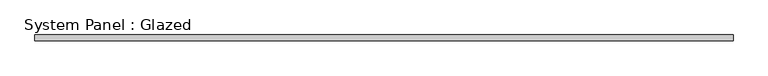
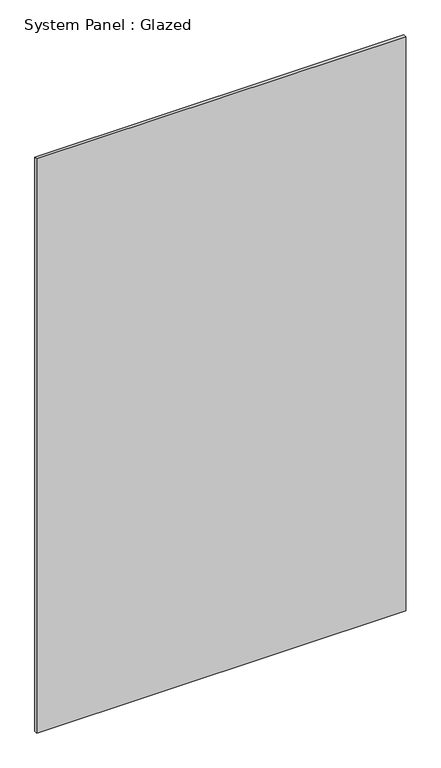
"""IFC4 building model written with IfcOpenShell, lengths in millimetres: plate geometry, System Panel : Glazed."""

from ifc_helpers import new_model, si_unit, origin, origin_with_axes, place, context, project, spatial, polyline, outline, extrude, source, transform, mapped, element, save


def system_panel_glazed_2eda2a0c(model_context):
    return source(origin(), model_context, "Body", "SweptSolid", [
        extrude(outline(polyline([(787.4, 25.4), (-787.4, 25.4), (-787.4, 38.1), (787.4, 38.1), (787.4, 25.4)])), origin_with_axes(), (0.0, 0.0, 1.0), 2590.8),
    ])


if __name__ == "__main__":
    model = new_model("IFC4")
    model_context = context("Model", 3, world=origin())
    ifc_project = project(units=[si_unit("LENGTHUNIT", "METRE", prefix="MILLI")], contexts=[model_context])
    site = spatial("IfcSite", under=ifc_project)
    building = spatial("IfcBuilding", under=site)
    placement = place(None, origin())
    system_panel_glazed_shape = system_panel_glazed_2eda2a0c(model_context)
    element("IfcPlate", 1, ObjectType="System Panel : Glazed", at=placement, inside=building, context=model_context, shape_type="MappedRepresentation", body=[
        mapped(system_panel_glazed_shape, transform((0.0, 0.0, 0.0), x_axis=(1.0, 0.0, 0.0), y_axis=(0.0, 1.0, 0.0), z_axis=(0.0, 0.0, 1.0))),
    ])
    save(model, "model.ifc")
